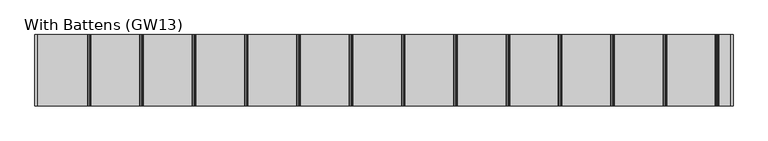
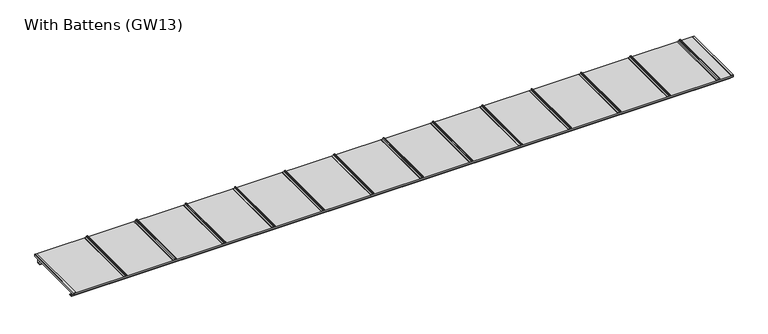
"""IFC4 building model written with IfcOpenShell, lengths in millimetres: proxy geometry, With Battens (GW13)."""

from ifc_helpers import new_model, si_unit, point, frame, frame_2d, origin, place, context, project, spatial, polyline, circle_curve, trimmed, segment, composite_curve, outline, extrude, source, transform, mapped, element, save


def with_battens_gw13_2eaff6ff(model_context):
    return source(origin(), model_context, "Body", "SweptSolid", [
        extrude(outline(composite_curve([segment(trimmed(circle_curve(frame_2d((62.9683907, 5873.75)), 6.25), [point((67.8614305, 5869.8614704))], [point((60.2402402, 5868.1268608))], False, "CARTESIAN"), True, "CONTINUOUS"), segment(trimmed(circle_curve(frame_2d((59.3468026, 5866.2853478)), 2.0468026), [point((60.2402402, 5868.1268608))], [point((57.3, 5866.2853478))], True, "CARTESIAN"), True, "CONTINUOUS"), segment(polyline([(57.3, 5866.2853478), (57.3, 5851.5)]), True, "CONTINUOUS"), segment(trimmed(circle_curve(frame_2d((55.8, 5851.5)), 1.5), [point((57.3, 5851.5))], [point((55.8, 5850.0))], False, "CARTESIAN"), True, "CONTINUOUS"), segment(polyline([(55.8, 5850.0), (55.0, 5850.0), (55.0, 5871.9783691)]), True, "CONTINUOUS"), segment(trimmed(circle_curve(frame_2d((64.084859, 5871.098018)), 9.1274138), [point((55.0, 5871.9783691))], [point((60.5433217, 5879.510342))], False, "CARTESIAN"), True, "CONTINUOUS"), segment(trimmed(circle_curve(frame_2d((62.9683907, 5873.75)), 6.25), [point((60.5433217, 5879.510342))], [point((67.8614305, 5877.6385296))], False, "CARTESIAN"), True, "CONTINUOUS"), segment(trimmed(circle_curve(frame_2d((67.2653483, 5877.1648193)), 0.7613904), [point((67.8614305, 5877.6385296))], [point((66.7916381, 5876.5687372))], False, "CARTESIAN"), True, "CONTINUOUS"), segment(trimmed(circle_curve(frame_2d((62.9683907, 5873.75)), 4.75), [point((66.7916381, 5876.5687372))], [point((66.7916381, 5870.9312628))], True, "CARTESIAN"), True, "CONTINUOUS"), segment(trimmed(circle_curve(frame_2d((67.2653483, 5870.3351807)), 0.7613904), [point((66.7916381, 5870.9312628))], [point((67.8614305, 5869.8614704))], False, "CARTESIAN"), True, "CONTINUOUS")], self_intersect=False)), frame((0.0, 0.0, 0.0), z_axis=(0.0, 1.0, 0.0), x_axis=(0.0, 0.0, 1.0)), (0.0, 0.0, 1.0), 615.0),
        extrude(outline(composite_curve([segment(trimmed(circle_curve(frame_2d((62.9683907, 5423.75)), 6.25), [point((67.8614305, 5419.8614704))], [point((60.2402402, 5418.1268608))], False, "CARTESIAN"), True, "CONTINUOUS"), segment(trimmed(circle_curve(frame_2d((59.3468026, 5416.2853478)), 2.0468026), [point((60.2402402, 5418.1268608))], [point((57.3, 5416.2853478))], True, "CARTESIAN"), True, "CONTINUOUS"), segment(polyline([(57.3, 5416.2853478), (57.3, 5401.5)]), True, "CONTINUOUS"), segment(trimmed(circle_curve(frame_2d((55.8, 5401.5)), 1.5), [point((57.3, 5401.5))], [point((55.8, 5400.0))], False, "CARTESIAN"), True, "CONTINUOUS"), segment(polyline([(55.8, 5400.0), (55.0, 5400.0), (55.0, 5421.9783691)]), True, "CONTINUOUS"), segment(trimmed(circle_curve(frame_2d((64.084859, 5421.098018)), 9.1274138), [point((55.0, 5421.9783691))], [point((60.5433217, 5429.510342))], False, "CARTESIAN"), True, "CONTINUOUS"), segment(trimmed(circle_curve(frame_2d((62.9683907, 5423.75)), 6.25), [point((60.5433217, 5429.510342))], [point((67.8614305, 5427.6385296))], False, "CARTESIAN"), True, "CONTINUOUS"), segment(trimmed(circle_curve(frame_2d((67.2653483, 5427.1648193)), 0.7613904), [point((67.8614305, 5427.6385296))], [point((66.7916381, 5426.5687372))], False, "CARTESIAN"), True, "CONTINUOUS"), segment(trimmed(circle_curve(frame_2d((62.9683907, 5423.75)), 4.75), [point((66.7916381, 5426.5687372))], [point((66.7916381, 5420.9312628))], True, "CARTESIAN"), True, "CONTINUOUS"), segment(trimmed(circle_curve(frame_2d((67.2653483, 5420.3351807)), 0.7613904), [point((66.7916381, 5420.9312628))], [point((67.8614305, 5419.8614704))], False, "CARTESIAN"), True, "CONTINUOUS")], self_intersect=False)), frame((0.0, 0.0, 0.0), z_axis=(0.0, 1.0, 0.0), x_axis=(0.0, 0.0, 1.0)), (0.0, 0.0, 1.0), 615.0),
        extrude(outline(composite_curve([segment(trimmed(circle_curve(frame_2d((62.9683907, 4973.75)), 6.25), [point((67.8614305, 4969.8614704))], [point((60.2402402, 4968.1268608))], False, "CARTESIAN"), True, "CONTINUOUS"), segment(trimmed(circle_curve(frame_2d((59.3468026, 4966.2853478)), 2.0468026), [point((60.2402402, 4968.1268608))], [point((57.3, 4966.2853478))], True, "CARTESIAN"), True, "CONTINUOUS"), segment(polyline([(57.3, 4966.2853478), (57.3, 4951.5)]), True, "CONTINUOUS"), segment(trimmed(circle_curve(frame_2d((55.8, 4951.5)), 1.5), [point((57.3, 4951.5))], [point((55.8, 4950.0))], False, "CARTESIAN"), True, "CONTINUOUS"), segment(polyline([(55.8, 4950.0), (55.0, 4950.0), (55.0, 4971.9783691)]), True, "CONTINUOUS"), segment(trimmed(circle_curve(frame_2d((64.084859, 4971.098018)), 9.1274138), [point((55.0, 4971.9783691))], [point((60.5433217, 4979.510342))], False, "CARTESIAN"), True, "CONTINUOUS"), segment(trimmed(circle_curve(frame_2d((62.9683907, 4973.75)), 6.25), [point((60.5433217, 4979.510342))], [point((67.8614305, 4977.6385296))], False, "CARTESIAN"), True, "CONTINUOUS"), segment(trimmed(circle_curve(frame_2d((67.2653483, 4977.1648193)), 0.7613904), [point((67.8614305, 4977.6385296))], [point((66.7916381, 4976.5687372))], False, "CARTESIAN"), True, "CONTINUOUS"), segment(trimmed(circle_curve(frame_2d((62.9683907, 4973.75)), 4.75), [point((66.7916381, 4976.5687372))], [point((66.7916381, 4970.9312628))], True, "CARTESIAN"), True, "CONTINUOUS"), segment(trimmed(circle_curve(frame_2d((67.2653483, 4970.3351807)), 0.7613904), [point((66.7916381, 4970.9312628))], [point((67.8614305, 4969.8614704))], False, "CARTESIAN"), True, "CONTINUOUS")], self_intersect=False)), frame((0.0, 0.0, 0.0), z_axis=(0.0, 1.0, 0.0), x_axis=(0.0, 0.0, 1.0)), (0.0, 0.0, 1.0), 615.0),
        extrude(outline(composite_curve([segment(trimmed(circle_curve(frame_2d((62.9683907, 4523.75)), 6.25), [point((67.8614305, 4519.8614704))], [point((60.2402402, 4518.1268608))], False, "CARTESIAN"), True, "CONTINUOUS"), segment(trimmed(circle_curve(frame_2d((59.3468026, 4516.2853478)), 2.0468026), [point((60.2402402, 4518.1268608))], [point((57.3, 4516.2853478))], True, "CARTESIAN"), True, "CONTINUOUS"), segment(polyline([(57.3, 4516.2853478), (57.3, 4501.5)]), True, "CONTINUOUS"), segment(trimmed(circle_curve(frame_2d((55.8, 4501.5)), 1.5), [point((57.3, 4501.5))], [point((55.8, 4500.0))], False, "CARTESIAN"), True, "CONTINUOUS"), segment(polyline([(55.8, 4500.0), (55.0, 4500.0), (55.0, 4521.9783691)]), True, "CONTINUOUS"), segment(trimmed(circle_curve(frame_2d((64.084859, 4521.098018)), 9.1274138), [point((55.0, 4521.9783691))], [point((60.5433217, 4529.510342))], False, "CARTESIAN"), True, "CONTINUOUS"), segment(trimmed(circle_curve(frame_2d((62.9683907, 4523.75)), 6.25), [point((60.5433217, 4529.510342))], [point((67.8614305, 4527.6385296))], False, "CARTESIAN"), True, "CONTINUOUS"), segment(trimmed(circle_curve(frame_2d((67.2653483, 4527.1648193)), 0.7613904), [point((67.8614305, 4527.6385296))], [point((66.7916381, 4526.5687372))], False, "CARTESIAN"), True, "CONTINUOUS"), segment(trimmed(circle_curve(frame_2d((62.9683907, 4523.75)), 4.75), [point((66.7916381, 4526.5687372))], [point((66.7916381, 4520.9312628))], True, "CARTESIAN"), True, "CONTINUOUS"), segment(trimmed(circle_curve(frame_2d((67.2653483, 4520.3351807)), 0.7613904), [point((66.7916381, 4520.9312628))], [point((67.8614305, 4519.8614704))], False, "CARTESIAN"), True, "CONTINUOUS")], self_intersect=False)), frame((0.0, 0.0, 0.0), z_axis=(0.0, 1.0, 0.0), x_axis=(0.0, 0.0, 1.0)), (0.0, 0.0, 1.0), 615.0),
        extrude(outline(composite_curve([segment(trimmed(circle_curve(frame_2d((62.9683907, 4073.75)), 6.25), [point((67.8614305, 4069.8614704))], [point((60.2402402, 4068.1268608))], False, "CARTESIAN"), True, "CONTINUOUS"), segment(trimmed(circle_curve(frame_2d((59.3468026, 4066.2853478)), 2.0468026), [point((60.2402402, 4068.1268608))], [point((57.3, 4066.2853478))], True, "CARTESIAN"), True, "CONTINUOUS"), segment(polyline([(57.3, 4066.2853478), (57.3, 4051.5)]), True, "CONTINUOUS"), segment(trimmed(circle_curve(frame_2d((55.8, 4051.5)), 1.5), [point((57.3, 4051.5))], [point((55.8, 4050.0))], False, "CARTESIAN"), True, "CONTINUOUS"), segment(polyline([(55.8, 4050.0), (55.0, 4050.0), (55.0, 4071.9783691)]), True, "CONTINUOUS"), segment(trimmed(circle_curve(frame_2d((64.084859, 4071.098018)), 9.1274138), [point((55.0, 4071.9783691))], [point((60.5433217, 4079.510342))], False, "CARTESIAN"), True, "CONTINUOUS"), segment(trimmed(circle_curve(frame_2d((62.9683907, 4073.75)), 6.25), [point((60.5433217, 4079.510342))], [point((67.8614305, 4077.6385296))], False, "CARTESIAN"), True, "CONTINUOUS"), segment(trimmed(circle_curve(frame_2d((67.2653483, 4077.1648193)), 0.7613904), [point((67.8614305, 4077.6385296))], [point((66.7916381, 4076.5687372))], False, "CARTESIAN"), True, "CONTINUOUS"), segment(trimmed(circle_curve(frame_2d((62.9683907, 4073.75)), 4.75), [point((66.7916381, 4076.5687372))], [point((66.7916381, 4070.9312628))], True, "CARTESIAN"), True, "CONTINUOUS"), segment(trimmed(circle_curve(frame_2d((67.2653483, 4070.3351807)), 0.7613904), [point((66.7916381, 4070.9312628))], [point((67.8614305, 4069.8614704))], False, "CARTESIAN"), True, "CONTINUOUS")], self_intersect=False)), frame((0.0, 0.0, 0.0), z_axis=(0.0, 1.0, 0.0), x_axis=(0.0, 0.0, 1.0)), (0.0, 0.0, 1.0), 615.0),
        extrude(outline(polyline([(70.0, 0.0), (40.0, 0.0), (40.0, 40.0), (60.0, 40.0), (60.0, 38.0), (42.0, 38.0), (42.0, 2.0), (70.0, 2.0), (70.0, 0.0)])), frame((0.0, 0.0, 0.0), z_axis=(1.0, 0.0, 0.0), x_axis=(0.0, 1.0, 0.0)), (0.0, 0.0, 1.0), 6000.0),
        extrude(outline(polyline([(545.0, 0.0), (545.0, 2.0), (573.0, 2.0), (573.0, 38.0), (555.0, 38.0), (555.0, 40.0), (575.0, 40.0), (575.0, 0.0), (545.0, 0.0)])), frame((0.0, 0.0, 0.0), z_axis=(1.0, 0.0, 0.0), x_axis=(0.0, 1.0, 0.0)), (0.0, 0.0, 1.0), 6000.0),
        extrude(outline(polyline([(6000.0, 0.0), (0.0, 0.0), (0.0, 615.0), (6000.0, 615.0), (6000.0, 0.0)])), frame((0.0, 0.0, 40.0), z_axis=(0.0, 0.0, 1.0), x_axis=(1.0, 0.0, 0.0)), (0.0, 0.0, 1.0), 15.0),
        extrude(outline(composite_curve([segment(trimmed(circle_curve(frame_2d((62.9683907, 3623.75)), 6.25), [point((67.8614305, 3619.8614704))], [point((60.2402402, 3618.1268608))], False, "CARTESIAN"), True, "CONTINUOUS"), segment(trimmed(circle_curve(frame_2d((59.3468026, 3616.2853478)), 2.0468026), [point((60.2402402, 3618.1268608))], [point((57.3, 3616.2853478))], True, "CARTESIAN"), True, "CONTINUOUS"), segment(polyline([(57.3, 3616.2853478), (57.3, 3601.5)]), True, "CONTINUOUS"), segment(trimmed(circle_curve(frame_2d((55.8, 3601.5)), 1.5), [point((57.3, 3601.5))], [point((55.8, 3600.0))], False, "CARTESIAN"), True, "CONTINUOUS"), segment(polyline([(55.8, 3600.0), (55.0, 3600.0), (55.0, 3621.9783691)]), True, "CONTINUOUS"), segment(trimmed(circle_curve(frame_2d((64.084859, 3621.098018)), 9.1274138), [point((55.0, 3621.9783691))], [point((60.5433217, 3629.510342))], False, "CARTESIAN"), True, "CONTINUOUS"), segment(trimmed(circle_curve(frame_2d((62.9683907, 3623.75)), 6.25), [point((60.5433217, 3629.510342))], [point((67.8614305, 3627.6385296))], False, "CARTESIAN"), True, "CONTINUOUS"), segment(trimmed(circle_curve(frame_2d((67.2653483, 3627.1648193)), 0.7613904), [point((67.8614305, 3627.6385296))], [point((66.7916381, 3626.5687372))], False, "CARTESIAN"), True, "CONTINUOUS"), segment(trimmed(circle_curve(frame_2d((62.9683907, 3623.75)), 4.75), [point((66.7916381, 3626.5687372))], [point((66.7916381, 3620.9312628))], True, "CARTESIAN"), True, "CONTINUOUS"), segment(trimmed(circle_curve(frame_2d((67.2653483, 3620.3351807)), 0.7613904), [point((66.7916381, 3620.9312628))], [point((67.8614305, 3619.8614704))], False, "CARTESIAN"), True, "CONTINUOUS")], self_intersect=False)), frame((0.0, 0.0, 0.0), z_axis=(0.0, 1.0, 0.0), x_axis=(0.0, 0.0, 1.0)), (0.0, 0.0, 1.0), 615.0),
        extrude(outline(composite_curve([segment(trimmed(circle_curve(frame_2d((62.9683907, 3173.75)), 6.25), [point((67.8614305, 3169.8614704))], [point((60.2402402, 3168.1268608))], False, "CARTESIAN"), True, "CONTINUOUS"), segment(trimmed(circle_curve(frame_2d((59.3468026, 3166.2853478)), 2.0468026), [point((60.2402402, 3168.1268608))], [point((57.3, 3166.2853478))], True, "CARTESIAN"), True, "CONTINUOUS"), segment(polyline([(57.3, 3166.2853478), (57.3, 3151.5)]), True, "CONTINUOUS"), segment(trimmed(circle_curve(frame_2d((55.8, 3151.5)), 1.5), [point((57.3, 3151.5))], [point((55.8, 3150.0))], False, "CARTESIAN"), True, "CONTINUOUS"), segment(polyline([(55.8, 3150.0), (55.0, 3150.0), (55.0, 3171.9783691)]), True, "CONTINUOUS"), segment(trimmed(circle_curve(frame_2d((64.084859, 3171.098018)), 9.1274138), [point((55.0, 3171.9783691))], [point((60.5433217, 3179.510342))], False, "CARTESIAN"), True, "CONTINUOUS"), segment(trimmed(circle_curve(frame_2d((62.9683907, 3173.75)), 6.25), [point((60.5433217, 3179.510342))], [point((67.8614305, 3177.6385296))], False, "CARTESIAN"), True, "CONTINUOUS"), segment(trimmed(circle_curve(frame_2d((67.2653483, 3177.1648193)), 0.7613904), [point((67.8614305, 3177.6385296))], [point((66.7916381, 3176.5687372))], False, "CARTESIAN"), True, "CONTINUOUS"), segment(trimmed(circle_curve(frame_2d((62.9683907, 3173.75)), 4.75), [point((66.7916381, 3176.5687372))], [point((66.7916381, 3170.9312628))], True, "CARTESIAN"), True, "CONTINUOUS"), segment(trimmed(circle_curve(frame_2d((67.2653483, 3170.3351807)), 0.7613904), [point((66.7916381, 3170.9312628))], [point((67.8614305, 3169.8614704))], False, "CARTESIAN"), True, "CONTINUOUS")], self_intersect=False)), frame((0.0, 0.0, 0.0), z_axis=(0.0, 1.0, 0.0), x_axis=(0.0, 0.0, 1.0)), (0.0, 0.0, 1.0), 615.0),
        extrude(outline(composite_curve([segment(trimmed(circle_curve(frame_2d((62.9683907, 2723.75)), 6.25), [point((67.8614305, 2719.8614704))], [point((60.2402402, 2718.1268608))], False, "CARTESIAN"), True, "CONTINUOUS"), segment(trimmed(circle_curve(frame_2d((59.3468026, 2716.2853478)), 2.0468026), [point((60.2402402, 2718.1268608))], [point((57.3, 2716.2853478))], True, "CARTESIAN"), True, "CONTINUOUS"), segment(polyline([(57.3, 2716.2853478), (57.3, 2701.5)]), True, "CONTINUOUS"), segment(trimmed(circle_curve(frame_2d((55.8, 2701.5)), 1.5), [point((57.3, 2701.5))], [point((55.8, 2700.0))], False, "CARTESIAN"), True, "CONTINUOUS"), segment(polyline([(55.8, 2700.0), (55.0, 2700.0), (55.0, 2721.9783691)]), True, "CONTINUOUS"), segment(trimmed(circle_curve(frame_2d((64.084859, 2721.098018)), 9.1274138), [point((55.0, 2721.9783691))], [point((60.5433217, 2729.510342))], False, "CARTESIAN"), True, "CONTINUOUS"), segment(trimmed(circle_curve(frame_2d((62.9683907, 2723.75)), 6.25), [point((60.5433217, 2729.510342))], [point((67.8614305, 2727.6385296))], False, "CARTESIAN"), True, "CONTINUOUS"), segment(trimmed(circle_curve(frame_2d((67.2653483, 2727.1648193)), 0.7613904), [point((67.8614305, 2727.6385296))], [point((66.7916381, 2726.5687372))], False, "CARTESIAN"), True, "CONTINUOUS"), segment(trimmed(circle_curve(frame_2d((62.9683907, 2723.75)), 4.75), [point((66.7916381, 2726.5687372))], [point((66.7916381, 2720.9312628))], True, "CARTESIAN"), True, "CONTINUOUS"), segment(trimmed(circle_curve(frame_2d((67.2653483, 2720.3351807)), 0.7613904), [point((66.7916381, 2720.9312628))], [point((67.8614305, 2719.8614704))], False, "CARTESIAN"), True, "CONTINUOUS")], self_intersect=False)), frame((0.0, 0.0, 0.0), z_axis=(0.0, 1.0, 0.0), x_axis=(0.0, 0.0, 1.0)), (0.0, 0.0, 1.0), 615.0),
        extrude(outline(composite_curve([segment(trimmed(circle_curve(frame_2d((62.9683907, 2273.75)), 6.25), [point((67.8614305, 2269.8614704))], [point((60.2402402, 2268.1268608))], False, "CARTESIAN"), True, "CONTINUOUS"), segment(trimmed(circle_curve(frame_2d((59.3468026, 2266.2853478)), 2.0468026), [point((60.2402402, 2268.1268608))], [point((57.3, 2266.2853478))], True, "CARTESIAN"), True, "CONTINUOUS"), segment(polyline([(57.3, 2266.2853478), (57.3, 2251.5)]), True, "CONTINUOUS"), segment(trimmed(circle_curve(frame_2d((55.8, 2251.5)), 1.5), [point((57.3, 2251.5))], [point((55.8, 2250.0))], False, "CARTESIAN"), True, "CONTINUOUS"), segment(polyline([(55.8, 2250.0), (55.0, 2250.0), (55.0, 2271.9783691)]), True, "CONTINUOUS"), segment(trimmed(circle_curve(frame_2d((64.084859, 2271.098018)), 9.1274138), [point((55.0, 2271.9783691))], [point((60.5433217, 2279.510342))], False, "CARTESIAN"), True, "CONTINUOUS"), segment(trimmed(circle_curve(frame_2d((62.9683907, 2273.75)), 6.25), [point((60.5433217, 2279.510342))], [point((67.8614305, 2277.6385296))], False, "CARTESIAN"), True, "CONTINUOUS"), segment(trimmed(circle_curve(frame_2d((67.2653483, 2277.1648193)), 0.7613904), [point((67.8614305, 2277.6385296))], [point((66.7916381, 2276.5687372))], False, "CARTESIAN"), True, "CONTINUOUS"), segment(trimmed(circle_curve(frame_2d((62.9683907, 2273.75)), 4.75), [point((66.7916381, 2276.5687372))], [point((66.7916381, 2270.9312628))], True, "CARTESIAN"), True, "CONTINUOUS"), segment(trimmed(circle_curve(frame_2d((67.2653483, 2270.3351807)), 0.7613904), [point((66.7916381, 2270.9312628))], [point((67.8614305, 2269.8614704))], False, "CARTESIAN"), True, "CONTINUOUS")], self_intersect=False)), frame((0.0, 0.0, 0.0), z_axis=(0.0, 1.0, 0.0), x_axis=(0.0, 0.0, 1.0)), (0.0, 0.0, 1.0), 615.0),
        extrude(outline(composite_curve([segment(trimmed(circle_curve(frame_2d((62.9683907, 1823.75)), 6.25), [point((67.8614305, 1819.8614704))], [point((60.2402402, 1818.1268608))], False, "CARTESIAN"), True, "CONTINUOUS"), segment(trimmed(circle_curve(frame_2d((59.3468026, 1816.2853478)), 2.0468026), [point((60.2402402, 1818.1268608))], [point((57.3, 1816.2853478))], True, "CARTESIAN"), True, "CONTINUOUS"), segment(polyline([(57.3, 1816.2853478), (57.3, 1801.5)]), True, "CONTINUOUS"), segment(trimmed(circle_curve(frame_2d((55.8, 1801.5)), 1.5), [point((57.3, 1801.5))], [point((55.8, 1800.0))], False, "CARTESIAN"), True, "CONTINUOUS"), segment(polyline([(55.8, 1800.0), (55.0, 1800.0), (55.0, 1821.9783691)]), True, "CONTINUOUS"), segment(trimmed(circle_curve(frame_2d((64.084859, 1821.098018)), 9.1274138), [point((55.0, 1821.9783691))], [point((60.5433217, 1829.510342))], False, "CARTESIAN"), True, "CONTINUOUS"), segment(trimmed(circle_curve(frame_2d((62.9683907, 1823.75)), 6.25), [point((60.5433217, 1829.510342))], [point((67.8614305, 1827.6385296))], False, "CARTESIAN"), True, "CONTINUOUS"), segment(trimmed(circle_curve(frame_2d((67.2653483, 1827.1648193)), 0.7613904), [point((67.8614305, 1827.6385296))], [point((66.7916381, 1826.5687372))], False, "CARTESIAN"), True, "CONTINUOUS"), segment(trimmed(circle_curve(frame_2d((62.9683907, 1823.75)), 4.75), [point((66.7916381, 1826.5687372))], [point((66.7916381, 1820.9312628))], True, "CARTESIAN"), True, "CONTINUOUS"), segment(trimmed(circle_curve(frame_2d((67.2653483, 1820.3351807)), 0.7613904), [point((66.7916381, 1820.9312628))], [point((67.8614305, 1819.8614704))], False, "CARTESIAN"), True, "CONTINUOUS")], self_intersect=False)), frame((0.0, 0.0, 0.0), z_axis=(0.0, 1.0, 0.0), x_axis=(0.0, 0.0, 1.0)), (0.0, 0.0, 1.0), 615.0),
        extrude(outline(composite_curve([segment(trimmed(circle_curve(frame_2d((62.9683907, 1373.75)), 6.25), [point((67.8614305, 1369.8614704))], [point((60.2402402, 1368.1268608))], False, "CARTESIAN"), True, "CONTINUOUS"), segment(trimmed(circle_curve(frame_2d((59.3468026, 1366.2853478)), 2.0468026), [point((60.2402402, 1368.1268608))], [point((57.3, 1366.2853478))], True, "CARTESIAN"), True, "CONTINUOUS"), segment(polyline([(57.3, 1366.2853478), (57.3, 1351.5)]), True, "CONTINUOUS"), segment(trimmed(circle_curve(frame_2d((55.8, 1351.5)), 1.5), [point((57.3, 1351.5))], [point((55.8, 1350.0))], False, "CARTESIAN"), True, "CONTINUOUS"), segment(polyline([(55.8, 1350.0), (55.0, 1350.0), (55.0, 1371.9783691)]), True, "CONTINUOUS"), segment(trimmed(circle_curve(frame_2d((64.084859, 1371.098018)), 9.1274138), [point((55.0, 1371.9783691))], [point((60.5433217, 1379.510342))], False, "CARTESIAN"), True, "CONTINUOUS"), segment(trimmed(circle_curve(frame_2d((62.9683907, 1373.75)), 6.25), [point((60.5433217, 1379.510342))], [point((67.8614305, 1377.6385296))], False, "CARTESIAN"), True, "CONTINUOUS"), segment(trimmed(circle_curve(frame_2d((67.2653483, 1377.1648193)), 0.7613904), [point((67.8614305, 1377.6385296))], [point((66.7916381, 1376.5687372))], False, "CARTESIAN"), True, "CONTINUOUS"), segment(trimmed(circle_curve(frame_2d((62.9683907, 1373.75)), 4.75), [point((66.7916381, 1376.5687372))], [point((66.7916381, 1370.9312628))], True, "CARTESIAN"), True, "CONTINUOUS"), segment(trimmed(circle_curve(frame_2d((67.2653483, 1370.3351807)), 0.7613904), [point((66.7916381, 1370.9312628))], [point((67.8614305, 1369.8614704))], False, "CARTESIAN"), True, "CONTINUOUS")], self_intersect=False)), frame((0.0, 0.0, 0.0), z_axis=(0.0, 1.0, 0.0), x_axis=(0.0, 0.0, 1.0)), (0.0, 0.0, 1.0), 615.0),
        extrude(outline(polyline([(57.0, 5983.0), (55.0, 5983.0), (55.0, 6000.0), (40.0, 6000.0), (40.0, 5983.0), (38.0, 5983.0), (38.0, 6002.0), (57.0, 6002.0), (57.0, 5983.0)])), frame((0.0, 0.0, 0.0), z_axis=(0.0, 1.0, 0.0), x_axis=(0.0, 0.0, 1.0)), (0.0, 0.0, 1.0), 615.0),
        extrude(outline(polyline([(38.0, 17.0), (40.0, 17.0), (40.0, 0.0), (55.0, 0.0), (55.0, 17.0), (57.0, 17.0), (57.0, -2.0), (38.0, -2.0), (38.0, 17.0)])), frame((0.0, 0.0, 0.0), z_axis=(0.0, 1.0, 0.0), x_axis=(0.0, 0.0, 1.0)), (0.0, 0.0, 1.0), 615.0),
        extrude(outline(composite_curve([segment(trimmed(circle_curve(frame_2d((62.9683907, 923.75)), 6.25), [point((67.8614305, 919.8614704))], [point((60.2402402, 918.1268608))], False, "CARTESIAN"), True, "CONTINUOUS"), segment(trimmed(circle_curve(frame_2d((59.3468026, 916.2853478)), 2.0468026), [point((60.2402402, 918.1268608))], [point((57.3, 916.2853478))], True, "CARTESIAN"), True, "CONTINUOUS"), segment(polyline([(57.3, 916.2853478), (57.3, 901.5)]), True, "CONTINUOUS"), segment(trimmed(circle_curve(frame_2d((55.8, 901.5)), 1.5), [point((57.3, 901.5))], [point((55.8, 900.0))], False, "CARTESIAN"), True, "CONTINUOUS"), segment(polyline([(55.8, 900.0), (55.0, 900.0), (55.0, 921.9783691)]), True, "CONTINUOUS"), segment(trimmed(circle_curve(frame_2d((64.084859, 921.098018)), 9.1274138), [point((55.0, 921.9783691))], [point((60.5433217, 929.510342))], False, "CARTESIAN"), True, "CONTINUOUS"), segment(trimmed(circle_curve(frame_2d((62.9683907, 923.75)), 6.25), [point((60.5433217, 929.510342))], [point((67.8614305, 927.6385296))], False, "CARTESIAN"), True, "CONTINUOUS"), segment(trimmed(circle_curve(frame_2d((67.2653483, 927.1648193)), 0.7613904), [point((67.8614305, 927.6385296))], [point((66.7916381, 926.5687372))], False, "CARTESIAN"), True, "CONTINUOUS"), segment(trimmed(circle_curve(frame_2d((62.9683907, 923.75)), 4.75), [point((66.7916381, 926.5687372))], [point((66.7916381, 920.9312628))], True, "CARTESIAN"), True, "CONTINUOUS"), segment(trimmed(circle_curve(frame_2d((67.2653483, 920.3351807)), 0.7613904), [point((66.7916381, 920.9312628))], [point((67.8614305, 919.8614704))], False, "CARTESIAN"), True, "CONTINUOUS")], self_intersect=False)), frame((0.0, 0.0, 0.0), z_axis=(0.0, 1.0, 0.0), x_axis=(0.0, 0.0, 1.0)), (0.0, 0.0, 1.0), 615.0),
        extrude(outline(composite_curve([segment(trimmed(circle_curve(frame_2d((62.9683907, 473.75)), 6.25), [point((67.8614305, 469.8614704))], [point((60.2402402, 468.1268608))], False, "CARTESIAN"), True, "CONTINUOUS"), segment(trimmed(circle_curve(frame_2d((59.3468026, 466.2853478)), 2.0468026), [point((60.2402402, 468.1268608))], [point((57.3, 466.2853478))], True, "CARTESIAN"), True, "CONTINUOUS"), segment(polyline([(57.3, 466.2853478), (57.3, 451.5)]), True, "CONTINUOUS"), segment(trimmed(circle_curve(frame_2d((55.8, 451.5)), 1.5), [point((57.3, 451.5))], [point((55.8, 450.0))], False, "CARTESIAN"), True, "CONTINUOUS"), segment(polyline([(55.8, 450.0), (55.0, 450.0), (55.0, 471.9783691)]), True, "CONTINUOUS"), segment(trimmed(circle_curve(frame_2d((64.084859, 471.098018)), 9.1274138), [point((55.0, 471.9783691))], [point((60.5433217, 479.510342))], False, "CARTESIAN"), True, "CONTINUOUS"), segment(trimmed(circle_curve(frame_2d((62.9683907, 473.75)), 6.25), [point((60.5433217, 479.510342))], [point((67.8614305, 477.6385296))], False, "CARTESIAN"), True, "CONTINUOUS"), segment(trimmed(circle_curve(frame_2d((67.2653483, 477.1648193)), 0.7613904), [point((67.8614305, 477.6385296))], [point((66.7916381, 476.5687372))], False, "CARTESIAN"), True, "CONTINUOUS"), segment(trimmed(circle_curve(frame_2d((62.9683907, 473.75)), 4.75), [point((66.7916381, 476.5687372))], [point((66.7916381, 470.9312628))], True, "CARTESIAN"), True, "CONTINUOUS"), segment(trimmed(circle_curve(frame_2d((67.2653483, 470.3351807)), 0.7613904), [point((66.7916381, 470.9312628))], [point((67.8614305, 469.8614704))], False, "CARTESIAN"), True, "CONTINUOUS")], self_intersect=False)), frame((0.0, 0.0, 0.0), z_axis=(0.0, 1.0, 0.0), x_axis=(0.0, 0.0, 1.0)), (0.0, 0.0, 1.0), 615.0),
    ])


if __name__ == "__main__":
    model = new_model("IFC4")
    model_context = context("Model", 3, world=origin())
    ifc_project = project(units=[si_unit("LENGTHUNIT", "METRE", prefix="MILLI")], contexts=[model_context])
    site = spatial("IfcSite", under=ifc_project)
    building = spatial("IfcBuilding", under=site)
    placement = place(None, origin())
    with_battens_gw13_shape = with_battens_gw13_2eaff6ff(model_context)
    element("IfcBuildingElementProxy", 1, Name="With Battens (GW13)", ObjectType="With Battens (GW13)", at=placement, inside=building, context=model_context, shape_type="MappedRepresentation", body=[
        mapped(with_battens_gw13_shape, transform((0.0, 0.0, 0.0), x_axis=(1.0, 0.0, 0.0), y_axis=(0.0, 1.0, 0.0), z_axis=(0.0, 0.0, 1.0))),
    ])
    save(model, "model.ifc")
